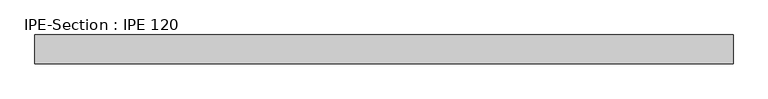
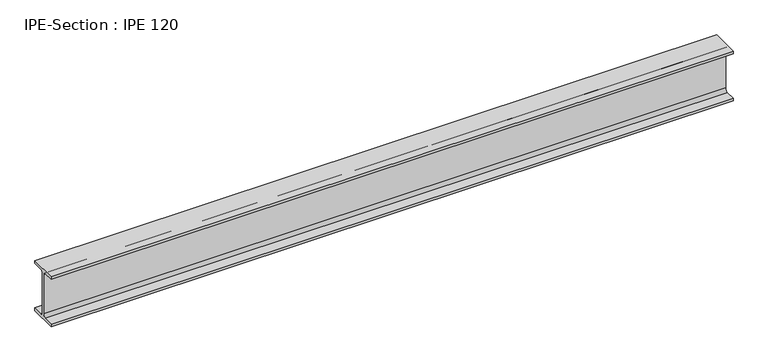
"""IFC4 building model written with IfcOpenShell, lengths in millimetres: beam geometry, IPE-Section : IPE 120."""

from ifc_helpers import new_model, si_unit, point, frame, frame_2d, origin, place, context, project, spatial, polyline, circle_curve, trimmed, segment, composite_curve, outline, extrude, source, transform, mapped, element, save


def ipe_section_ipe_120_0f0a091c(model_context):
    return source(origin(), model_context, "Body", "SweptSolid", [
        extrude(outline(composite_curve([segment(polyline([(-32.0, -53.7), (-9.2, -53.7)]), True, "CONTINUOUS"), segment(trimmed(circle_curve(frame_2d((-9.2, -46.7)), 7.0), [point((-9.2, -53.7))], [point((-2.2, -46.7))], True, "CARTESIAN"), True, "CONTINUOUS"), segment(polyline([(-2.2, -46.7), (-2.2, 46.7)]), True, "CONTINUOUS"), segment(trimmed(circle_curve(frame_2d((-9.2, 46.7)), 7.0), [point((-2.2, 46.7))], [point((-9.2, 53.7))], True, "CARTESIAN"), True, "CONTINUOUS"), segment(polyline([(-9.2, 53.7), (-32.0, 53.7), (-32.0, 60.0), (32.0, 60.0), (32.0, 53.7), (9.2, 53.7)]), True, "CONTINUOUS"), segment(trimmed(circle_curve(frame_2d((9.2, 46.7)), 7.0), [point((9.2, 53.7))], [point((2.2, 46.7))], True, "CARTESIAN"), True, "CONTINUOUS"), segment(polyline([(2.2, 46.7), (2.2, -46.7)]), True, "CONTINUOUS"), segment(trimmed(circle_curve(frame_2d((9.2, -46.7)), 7.0), [point((2.2, -46.7))], [point((9.2, -53.7))], True, "CARTESIAN"), True, "CONTINUOUS"), segment(polyline([(9.2, -53.7), (32.0, -53.7), (32.0, -60.0), (-32.0, -60.0), (-32.0, -53.7)]), True, "CONTINUOUS")], self_intersect=False)), frame((-754.8662664, 0.0, 0.0), z_axis=(1.0, 0.0, 0.0), x_axis=(0.0, 1.0, 0.0)), (0.0, 0.0, 1.0), 1553.1242532),
    ])


if __name__ == "__main__":
    model = new_model("IFC4")
    model_context = context("Model", 3, world=origin())
    ifc_project = project(units=[si_unit("LENGTHUNIT", "METRE", prefix="MILLI")], contexts=[model_context])
    site = spatial("IfcSite", under=ifc_project)
    building = spatial("IfcBuilding", under=site)
    placement = place(None, origin())
    ipe_section_ipe_120_shape = ipe_section_ipe_120_0f0a091c(model_context)
    element("IfcBeam", 1, ObjectType="IPE-Section : IPE 120", at=placement, inside=building, context=model_context, shape_type="MappedRepresentation", body=[
        mapped(ipe_section_ipe_120_shape, transform((0.0, 0.0, 0.0), x_axis=(1.0, 0.0, 0.0), y_axis=(0.0, 1.0, 0.0), z_axis=(0.0, 0.0, 1.0))),
    ])
    save(model, "model.ifc")
